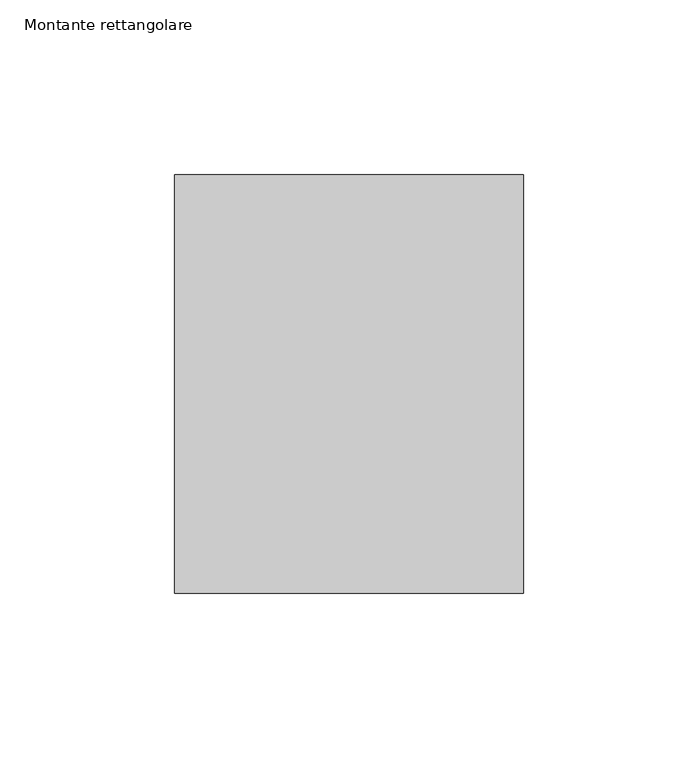
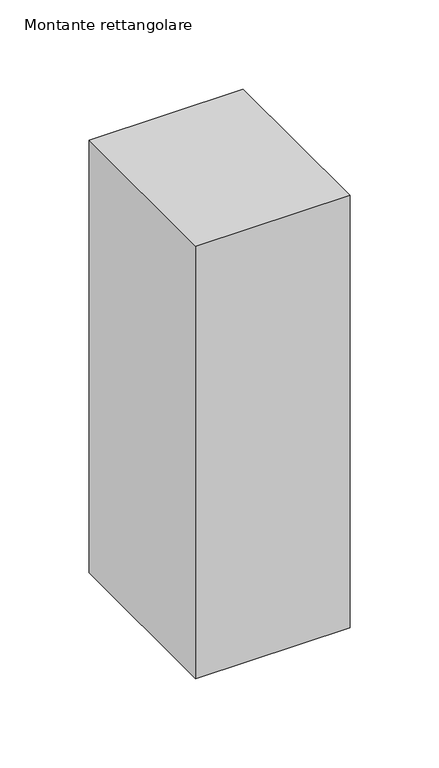
"""IFC4 building model written with IfcOpenShell, lengths in millimetres: member geometry, Montante rettangolare."""

from ifc_helpers import new_model, si_unit, frame, origin, place, context, project, spatial, polyline, outline, extrude, source, transform, mapped, element, save


def montante_rettangolare_7aa62829(model_context):
    return source(origin(), model_context, "Body", "SweptSolid", [
        extrude(outline(polyline([(50.0, 60.0), (50.0, -60.0), (-50.0, -60.0), (-50.0, 60.0), (50.0, 60.0)])), frame((0.0, 0.0, -296.3327574), z_axis=(0.0, 0.0, 1.0), x_axis=(1.0, 0.0, 0.0)), (0.0, 0.0, 1.0), 296.3327574),
    ])


if __name__ == "__main__":
    model = new_model("IFC4")
    model_context = context("Model", 3, world=origin())
    ifc_project = project(units=[si_unit("LENGTHUNIT", "METRE", prefix="MILLI")], contexts=[model_context])
    site = spatial("IfcSite", under=ifc_project)
    building = spatial("IfcBuilding", under=site)
    placement = place(None, origin())
    montante_rettangolare_shape = montante_rettangolare_7aa62829(model_context)
    element("IfcMember", 1, ObjectType="Montante rettangolare", at=placement, inside=building, context=model_context, shape_type="MappedRepresentation", body=[
        mapped(montante_rettangolare_shape, transform((0.0, 0.0, 0.0), x_axis=(1.0, 0.0, 0.0), y_axis=(0.0, 1.0, 0.0), z_axis=(0.0, 0.0, 1.0))),
    ])
    save(model, "model.ifc")
